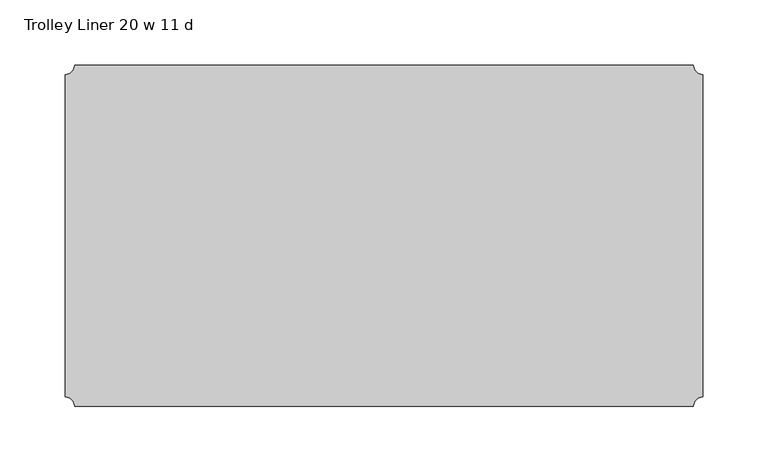
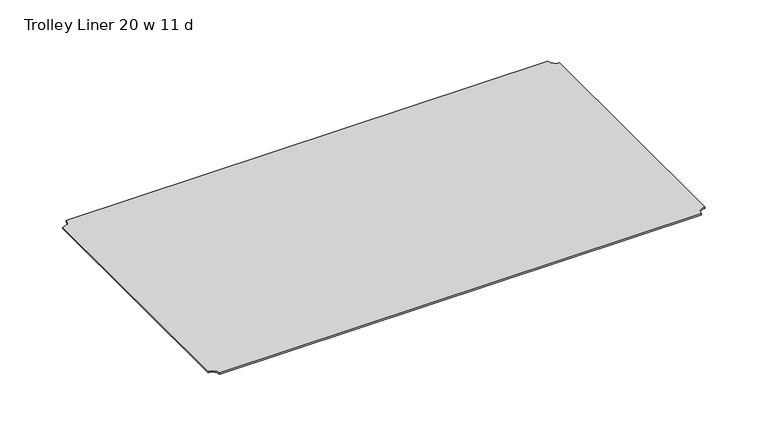
"""IFC4 building model written with IfcOpenShell, lengths in millimetres: furniture geometry, Trolley Liner 20 w 11 d."""

from ifc_helpers import new_model, si_unit, point, frame, frame_2d, origin, place, context, project, spatial, polyline, circle_curve, trimmed, segment, composite_curve, outline, extrude, source, transform, mapped, element, save


def trolley_liner_20_w_11_d_6018153d(model_context):
    return source(origin(), model_context, "Body", "SweptSolid", [
        extrude(outline(composite_curve([segment(polyline([(482.8664203, -263.0000078), (9.1335944, -263.0000078)]), True, "CONTINUOUS"), segment(trimmed(circle_curve(frame_2d((2.0, -263.0000078)), 7.1335944), [point((9.1335944, -263.0000078))], [point((2.0, -255.8664135))], True, "CARTESIAN"), True, "CONTINUOUS"), segment(polyline([(2.0, -255.8664135), (2.0, -9.1335921)]), True, "CONTINUOUS"), segment(trimmed(circle_curve(frame_2d((2.0, -2.0066)), 7.1269921), [point((2.0, -9.1335921))], [point((9.1269921, -2.0066))], True, "CARTESIAN"), True, "CONTINUOUS"), segment(polyline([(9.1269921, -2.0066), (482.8691696, -2.0066)]), True, "CONTINUOUS"), segment(trimmed(circle_curve(frame_2d((489.9999965, -2.0066)), 7.1308269), [point((482.8691696, -2.0066))], [point((489.9999965, -9.1374269))], True, "CARTESIAN"), True, "CONTINUOUS"), segment(polyline([(489.9999965, -9.1374269), (489.9999965, -255.8664316)]), True, "CONTINUOUS"), segment(trimmed(circle_curve(frame_2d((489.9999965, -263.0000078)), 7.1335762), [point((489.9999965, -255.8664316))], [point((482.8664203, -263.0000078))], True, "CARTESIAN"), True, "CONTINUOUS")], self_intersect=False)), frame((0.0, 0.0, 523.7493899), z_axis=(0.0, 0.0, 1.0), x_axis=(1.0, 0.0, 0.0)), (0.0, 0.0, 1.0), 1.4986),
    ])


if __name__ == "__main__":
    model = new_model("IFC4")
    model_context = context("Model", 3, world=origin())
    ifc_project = project(units=[si_unit("LENGTHUNIT", "METRE", prefix="MILLI")], contexts=[model_context])
    site = spatial("IfcSite", under=ifc_project)
    building = spatial("IfcBuilding", under=site)
    placement = place(None, origin())
    trolley_liner_20_w_11_d_shape = trolley_liner_20_w_11_d_6018153d(model_context)
    element("IfcFurniture", 1, ObjectType="Trolley Liner 20 w 11 d", at=placement, inside=building, context=model_context, shape_type="MappedRepresentation", body=[
        mapped(trolley_liner_20_w_11_d_shape, transform((0.0, 0.0, 0.0), x_axis=(1.0, 0.0, 0.0), y_axis=(0.0, 1.0, 0.0), z_axis=(0.0, 0.0, 1.0))),
    ])
    save(model, "model.ifc")
